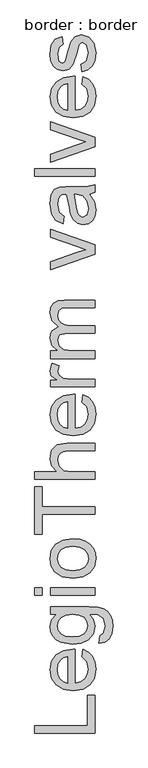
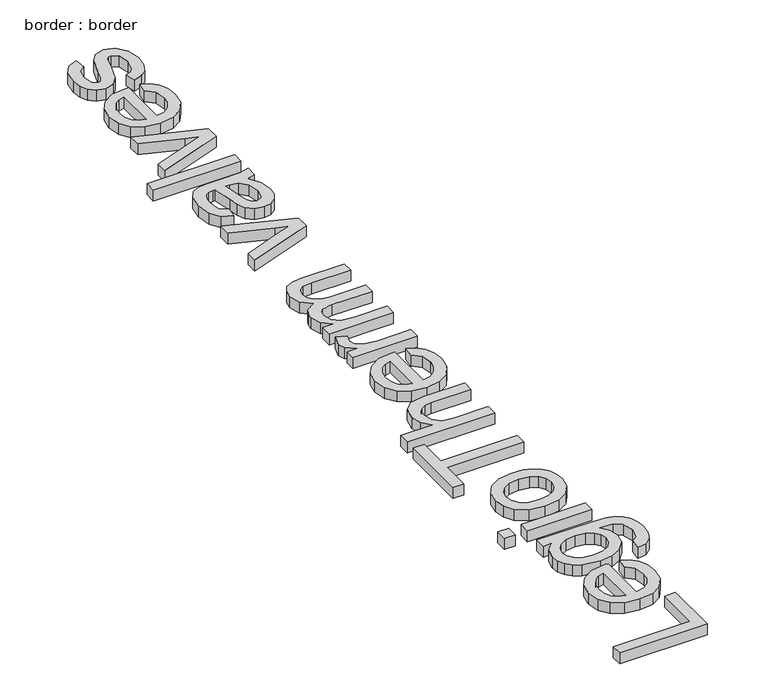
"""IFC4 building model written with IfcOpenShell, lengths in millimetres: proxy geometry, border : border."""

from ifc_helpers import new_model, si_unit, origin, origin_with_axes, place, context, project, spatial, polyline, outline, extrude, source, transform, mapped, element, save


def border_border_1ea13b76(model_context):
    return source(origin(), model_context, "Body", "SweptSolid", [
        extrude(outline(polyline([(-500.0, -116.435675), (-650.6844652, -116.435675), (-650.6844652, -97.6001169), (-518.8355582, -97.6001169), (-518.8355582, -22.2578843), (-500.0, -22.2578843), (-500.0, -116.435675)])), origin_with_axes(), (0.0, 0.0, 1.0), 20.0),
        extrude(outline(polyline([(-532.9622268, 74.0536221), (-530.607782, 92.5212982), (-516.6926455, 85.8672326), (-506.2907821, 75.2492385), (-499.806862, 60.9064393), (-497.6455552, 43.0779581), (-501.374959, 20.9774472), (-512.5631701, 3.972102), (-530.4836218, -6.8712198), (-554.4097471, -10.4856604), (-579.1406142, -6.8344316), (-597.6358815, 4.1192548), (-609.1689821, 20.8946738), (-613.0133489, 42.0111003), (-609.1781791, 62.4699377), (-597.6726697, 78.8176939), (-579.2141906, 89.5368555), (-554.5201117, 93.1099094), (-549.4433402, 92.9995448), (-549.4433402, 8.3498977), (-535.3442627, 11.6102519), (-524.9791875, 19.1840225), (-518.6056319, 30.1147163), (-516.4811134, 43.4458401), (-520.4174507, 61.9135162), (-532.9622268, 74.0536221)]), holes=[polyline([(-568.2788983, 8.3498977), (-568.2788983, 74.2743513), (-578.2301063, 71.7267684), (-585.3486229, 66.7327704), (-591.9704988, 55.7514928), (-594.1777908, 41.9375239), (-592.4165557, 29.2409965), (-587.1328506, 18.7425641), (-578.8968924, 11.444705), (-568.2788983, 8.3498977)])]), origin_with_axes(), (0.0, 0.0, 1.0), 20.0),
        extrude(outline(polyline([(-490.5822209, 107.236578), (-488.2277762, 126.0721362), (-478.2949623, 132.1789773), (-474.1011075, 150.4627125), (-478.8467853, 169.739729), (-492.1641135, 178.9367789), (-514.1266686, 180.2243659), (-503.5316672, 166.9622199), (-500.0, 150.7938063), (-504.1110813, 131.3742354), (-516.4443252, 116.8934804), (-534.5257252, 107.88497), (-555.8812751, 104.8821333), (-585.0727114, 110.2716045), (-596.9231102, 116.8658893), (-605.7292854, 125.8698011), (-611.192333, 136.9752388), (-613.0133489, 149.8741013), (-608.8930706, 166.6771114), (-596.5322355, 180.2243659), (-610.6589041, 180.2243659), (-610.6589041, 199.059924), (-515.11995, 199.059924), (-493.0608259, 197.772337), (-478.5340856, 193.9095761), (-468.9001758, 187.2555105), (-461.5195433, 177.5940096), (-456.8290479, 165.1366055), (-455.2655494, 150.0948305), (-457.4682428, 132.5698519), (-464.0763232, 118.7696786), (-475.1081845, 109.9175181), (-490.5822209, 107.236578)]), holes=[polyline([(-557.1688621, 123.7176914), (-539.8922039, 125.7272468), (-528.0142139, 131.755913), (-521.1302221, 140.8196057), (-518.8355582, 151.9342404), (-521.1164265, 162.9661018), (-527.9590316, 172.0757797), (-539.6852702, 178.1872193), (-556.6170391, 180.2243659), (-572.9464011, 178.1274385), (-584.7048294, 171.8366564), (-591.8095504, 162.5936213), (-594.1777908, 151.6399348), (-591.8463386, 140.883985), (-584.8519822, 131.8662776), (-573.2682979, 125.754838), (-557.1688621, 123.7176914)])]), origin_with_axes(), (0.0, 0.0, 1.0), 20.0),
        extrude(outline(polyline([(-500.0, 227.3132613), (-610.6589041, 227.3132613), (-610.6589041, 246.1488194), (-500.0, 246.1488194), (-500.0, 227.3132613)])), origin_with_axes(), (0.0, 0.0, 1.0), 20.0),
        extrude(outline(polyline([(-631.8489071, 227.3132613), (-650.6844652, 227.3132613), (-650.6844652, 246.1488194), (-631.8489071, 246.1488194), (-631.8489071, 227.3132613)])), origin_with_axes(), (0.0, 0.0, 1.0), 20.0),
        extrude(outline(polyline([(-555.3294521, 269.6932671), (-582.0100938, 273.7675602), (-600.7628785, 285.9904395), (-609.9507313, 301.0919954), (-613.0133489, 319.1733954), (-609.2839452, 338.9608483), (-598.095734, 354.7659785), (-580.3316322, 365.1264552), (-556.8745565, 368.5799474), (-537.8458603, 367.0532371), (-523.3605067, 362.4731063), (-512.5125864, 354.9729121), (-504.3961898, 344.6860118), (-499.3332139, 332.467731), (-497.6455552, 319.1733954), (-501.3611634, 299.1468193), (-512.5079878, 283.3600832), (-530.6445702, 273.1099711), (-555.3294521, 269.6932671)]), holes=[polyline([(-555.3662403, 288.5288253), (-538.3195083, 290.7085261), (-526.174804, 297.2476285), (-518.904536, 307.0884719), (-516.4811134, 319.1733954), (-518.9183316, 331.2031367), (-526.2299863, 341.025586), (-538.535639, 347.5646884), (-555.9548515, 349.7443892), (-572.5049427, 347.5508929), (-584.4841002, 340.9704037), (-591.7543681, 331.1341588), (-594.1777908, 319.1733954), (-591.7635652, 307.0884719), (-584.5208884, 297.2476285), (-572.4037752, 290.7085261), (-555.3662403, 288.5288253)])]), origin_with_axes(), (0.0, 0.0, 1.0), 20.0),
        extrude(outline(polyline([(-500.0, 429.7955114), (-631.8489071, 429.7955114), (-631.8489071, 380.3521712), (-650.6844652, 380.3521712), (-650.6844652, 498.0744097), (-631.8489071, 498.0744097), (-631.8489071, 448.6310696), (-500.0, 448.6310696), (-500.0, 429.7955114)])), origin_with_axes(), (0.0, 0.0, 1.0), 20.0),
        extrude(outline(polyline([(-500.0, 516.9099679), (-650.6844652, 516.9099679), (-650.6844652, 535.745526), (-595.2814368, 535.745526), (-608.5803709, 550.4332147), (-613.0133489, 568.5238118), (-608.1757007, 589.6770265), (-594.8031902, 602.5161081), (-570.0447319, 606.3788691), (-500.0, 606.3788691), (-500.0, 587.5433109), (-568.0949573, 587.5433109), (-579.8855753, 586.0441918), (-587.960585, 581.5468344), (-592.6234893, 574.2995591), (-594.1777908, 564.5506862), (-589.983936, 549.1180365), (-578.6163824, 538.8173407), (-558.7875428, 535.745526), (-500.0, 535.745526), (-500.0, 516.9099679)])), origin_with_axes(), (0.0, 0.0, 1.0), 20.0),
        extrude(outline(polyline([(-532.9622268, 709.7537097), (-530.607782, 728.2213859), (-516.6926455, 721.5673203), (-506.2907821, 710.9493262), (-499.806862, 696.6065269), (-497.6455552, 678.7780457), (-501.374959, 656.6775349), (-512.5631701, 639.6721896), (-530.4836218, 628.8288678), (-554.4097471, 625.2144272), (-579.1406142, 628.865656), (-597.6358815, 639.8193424), (-609.1689821, 656.5947614), (-613.0133489, 677.7111879), (-609.1781791, 698.1700254), (-597.6726697, 714.5177816), (-579.2141906, 725.2369432), (-554.5201117, 728.8099971), (-549.4433402, 728.6996325), (-549.4433402, 644.0499854), (-535.3442627, 647.3103396), (-524.9791875, 654.8841101), (-518.6056319, 665.8148039), (-516.4811134, 679.1459277), (-520.4174507, 697.6136039), (-532.9622268, 709.7537097)]), holes=[polyline([(-568.2788983, 644.0499854), (-568.2788983, 709.9744389), (-578.2301063, 707.4268561), (-585.3486229, 702.432858), (-591.9704988, 691.4515805), (-594.1777908, 677.6376115), (-592.4165557, 664.9410842), (-587.1328506, 654.4426518), (-578.8968924, 647.1447927), (-568.2788983, 644.0499854)])]), origin_with_axes(), (0.0, 0.0, 1.0), 20.0),
        extrude(outline(polyline([(-500.0, 747.6455552), (-610.6589041, 747.6455552), (-610.6589041, 764.1266686), (-594.2881554, 764.1266686), (-609.3713172, 775.8253161), (-613.0133489, 787.5975399), (-607.2008134, 806.5066745), (-590.3150298, 800.2158923), (-594.1777908, 786.9721405), (-590.4621826, 776.3219568), (-580.1614867, 769.5345339), (-558.1621434, 766.4811134), (-500.0, 766.4811134), (-500.0, 747.6455552)])), origin_with_axes(), (0.0, 0.0, 1.0), 20.0),
        extrude(outline(polyline([(-500.0, 818.2788983), (-610.6589041, 818.2788983), (-610.6589041, 837.1144565), (-592.4487454, 837.1144565), (-607.3663603, 850.0639027), (-613.0133489, 868.4947906), (-611.5740106, 878.9702305), (-607.2559957, 887.367137), (-591.1243702, 897.7414093), (-607.5411042, 912.438295), (-613.0133489, 930.9979416), (-610.7370791, 945.1567999), (-603.9082695, 955.6276412), (-592.3429793, 962.0977658), (-575.8572674, 964.254474), (-500.0, 964.254474), (-500.0, 945.4189158), (-567.7638635, 945.4189158), (-583.4908188, 943.6714764), (-591.2347348, 937.343906), (-594.1777908, 926.5833577), (-592.2923955, 916.3792308), (-586.6362099, 908.0604992), (-576.8229576, 902.5284737), (-562.4663628, 900.6844652), (-500.0, 900.6844652), (-500.0, 881.8489071), (-569.8607909, 881.8489071), (-588.1077378, 877.4895054), (-592.6602775, 871.7367507), (-594.1777908, 863.1972899), (-590.1310888, 849.2545623), (-578.2852886, 839.983936), (-555.8076987, 837.1144565), (-500.0, 837.1144565), (-500.0, 818.2788983)])), origin_with_axes(), (0.0, 0.0, 1.0), 20.0),
        extrude(outline(polyline([(-500.0, 1078.5186217), (-610.6589041, 1039.5967066), (-610.6589041, 1059.5359107), (-544.3665686, 1083.1171466), (-522.0729197, 1090.2172691), (-543.1157698, 1097.1702388), (-610.6589041, 1120.8986275), (-610.6589041, 1140.8378317), (-500.0, 1102.3941632), (-500.0, 1078.5186217)])), origin_with_axes(), (0.0, 0.0, 1.0), 20.0),
        extrude(outline(polyline([(-514.1266686, 1227.9522881), (-501.3611634, 1209.6869471), (-497.6455552, 1189.5086196), (-499.8804384, 1173.7678688), (-506.5850877, 1162.1565933), (-516.7662219, 1154.99669), (-529.4305596, 1152.6100555), (-544.3297804, 1156.2152991), (-555.1455111, 1165.6882605), (-561.3259286, 1178.87683), (-564.15862, 1195.1740024), (-570.6333431, 1227.8419235), (-574.8271978, 1227.9522881), (-583.2333014, 1226.6555041), (-588.7331372, 1222.765152), (-592.8166274, 1214.0647428), (-594.1777908, 1201.9430311), (-590.5541531, 1182.8867437), (-577.6966774, 1173.8000584), (-580.0511222, 1154.9645003), (-598.4452219, 1163.1130865), (-609.2241644, 1179.5206235), (-613.0133489, 1204.3710522), (-609.6656228, 1227.19813), (-601.2595192, 1240.092394), (-588.4756198, 1245.8681413), (-571.9945065, 1246.7878463), (-548.5604234, 1246.7878463), (-515.8373199, 1247.7443395), (-500.0, 1251.4967358), (-500.0, 1232.6611777), (-514.1266686, 1227.9522881)]), holes=[polyline([(-551.7977849, 1227.9522881), (-546.0220376, 1197.5652353), (-542.968617, 1181.3600334), (-538.0022101, 1174.0207876), (-530.7549348, 1171.4456137), (-520.5646035, 1177.0558141), (-516.4811134, 1193.5185334), (-520.9876678, 1212.5748207), (-531.895369, 1224.8620794), (-546.463496, 1227.8419235), (-551.7977849, 1227.9522881)])]), origin_with_axes(), (0.0, 0.0, 1.0), 20.0),
        extrude(outline(polyline([(-500.0, 1272.6867387), (-650.6844652, 1272.6867387), (-650.6844652, 1291.5222969), (-500.0, 1291.5222969), (-500.0, 1272.6867387)])), origin_with_axes(), (0.0, 0.0, 1.0), 20.0),
        extrude(outline(polyline([(-500.0, 1346.9253254), (-610.6589041, 1308.0034103), (-610.6589041, 1327.9426144), (-544.3665686, 1351.5238503), (-522.0729197, 1358.6239728), (-543.1157698, 1365.5769425), (-610.6589041, 1389.3053312), (-610.6589041, 1409.2445354), (-500.0, 1370.8008669), (-500.0, 1346.9253254)])), origin_with_axes(), (0.0, 0.0, 1.0), 20.0),
        extrude(outline(polyline([(-532.9622268, 1503.2015969), (-530.607782, 1521.6692731), (-516.6926455, 1515.0152075), (-506.2907821, 1504.3972134), (-499.806862, 1490.0544141), (-497.6455552, 1472.2259329), (-501.374959, 1450.1254221), (-512.5631701, 1433.1200768), (-530.4836218, 1422.276755), (-554.4097471, 1418.6623144), (-579.1406142, 1422.3135432), (-597.6358815, 1433.2672296), (-609.1689821, 1450.0426486), (-613.0133489, 1471.1590751), (-609.1781791, 1491.6179126), (-597.6726697, 1507.9656688), (-579.2141906, 1518.6848304), (-554.5201117, 1522.2578843), (-549.4433402, 1522.1475197), (-549.4433402, 1437.4978726), (-535.3442627, 1440.7582268), (-524.9791875, 1448.3319973), (-518.6056319, 1459.2626911), (-516.4811134, 1472.5938149), (-520.4174507, 1491.0614911), (-532.9622268, 1503.2015969)]), holes=[polyline([(-568.2788983, 1437.4978726), (-568.2788983, 1503.4223261), (-578.2301063, 1500.8747433), (-585.3486229, 1495.8807452), (-591.9704988, 1484.8994677), (-594.1777908, 1471.0854987), (-592.4165557, 1458.3889714), (-587.1328506, 1447.890539), (-578.8968924, 1440.5926799), (-568.2788983, 1437.4978726)])]), origin_with_axes(), (0.0, 0.0, 1.0), 20.0),
        extrude(outline(polyline([(-532.9622268, 1534.0301081), (-535.3166715, 1552.8656663), (-527.2600558, 1555.8363134), (-521.3371557, 1561.5844696), (-516.4811134, 1581.5604619), (-520.9324855, 1600.763902), (-531.3803342, 1607.017896), (-536.1811942, 1605.4452004), (-539.8416201, 1600.7271138), (-545.2126972, 1581.3397327), (-554.4281412, 1552.9760309), (-565.1886895, 1540.5968017), (-580.3822159, 1536.3845529), (-594.4169141, 1539.7690672), (-605.1406742, 1549.0029053), (-610.7140864, 1560.9774643), (-613.0133489, 1577.1826662), (-609.3161349, 1600.1017145), (-599.3097446, 1614.6698415), (-582.4055669, 1621.1445646), (-580.0511222, 1602.3090064), (-590.4437885, 1595.227278), (-594.1777908, 1578.6541941), (-590.6093354, 1560.6279764), (-582.2952023, 1555.220111), (-576.8137606, 1557.4641912), (-572.656694, 1564.4907373), (-568.6467803, 1580.7143333), (-559.7808242, 1608.3606652), (-549.7376457, 1621.1997469), (-533.366897, 1625.8534541), (-515.3406792, 1620.3904065), (-502.2624743, 1604.626663), (-497.6455552, 1581.3029445), (-499.8712413, 1562.3110365), (-506.5482995, 1548.4510823), (-517.6031535, 1539.1988502), (-532.9622268, 1534.0301081)])), origin_with_axes(), (0.0, 0.0, 1.0), 20.0),
    ])


if __name__ == "__main__":
    model = new_model("IFC4")
    model_context = context("Model", 3, world=origin())
    ifc_project = project(units=[si_unit("LENGTHUNIT", "METRE", prefix="MILLI")], contexts=[model_context])
    site = spatial("IfcSite", under=ifc_project)
    building = spatial("IfcBuilding", under=site)
    placement = place(None, origin())
    border_border_shape = border_border_1ea13b76(model_context)
    element("IfcBuildingElementProxy", 1, Name="border : border", ObjectType="border : border", at=placement, inside=building, context=model_context, shape_type="MappedRepresentation", body=[
        mapped(border_border_shape, transform((0.0, 0.0, 0.0), x_axis=(1.0, 0.0, 0.0), y_axis=(0.0, 1.0, 0.0), z_axis=(0.0, 0.0, 1.0))),
    ])
    save(model, "model.ifc")
